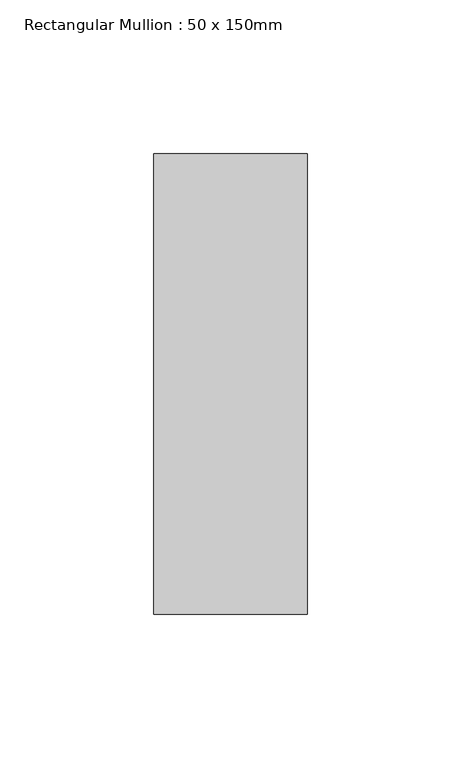
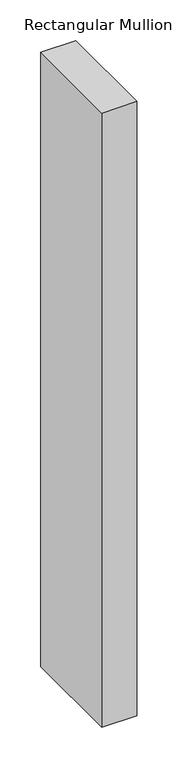
"""IFC4 building model written with IfcOpenShell, lengths in millimetres: member geometry, Rectangular Mullion : 50 x 150mm."""

from ifc_helpers import new_model, si_unit, frame, origin, place, context, project, spatial, polyline, outline, extrude, source, transform, mapped, element, save


def rectangular_mullion_50_x_150mm_68805827(model_context):
    return source(origin(), model_context, "Body", "SweptSolid", [
        extrude(outline(polyline([(0.0, 75.0), (0.0, -75.0), (-50.0, -75.0), (-50.0, 75.0), (0.0, 75.0)])), frame((0.0, 0.0, -921.3391099), z_axis=(0.0, 0.0, 1.0), x_axis=(1.0, 0.0, 0.0)), (0.0, 0.0, 1.0), 921.3391099),
    ])


if __name__ == "__main__":
    model = new_model("IFC4")
    model_context = context("Model", 3, world=origin())
    ifc_project = project(units=[si_unit("LENGTHUNIT", "METRE", prefix="MILLI")], contexts=[model_context])
    site = spatial("IfcSite", under=ifc_project)
    building = spatial("IfcBuilding", under=site)
    placement = place(None, origin())
    rectangular_mullion_50_x_150mm_shape = rectangular_mullion_50_x_150mm_68805827(model_context)
    element("IfcMember", 1, ObjectType="Rectangular Mullion : 50 x 150mm", at=placement, inside=building, context=model_context, shape_type="MappedRepresentation", body=[
        mapped(rectangular_mullion_50_x_150mm_shape, transform((0.0, 0.0, 0.0), x_axis=(1.0, 0.0, 0.0), y_axis=(0.0, 1.0, 0.0), z_axis=(0.0, 0.0, 1.0))),
    ])
    save(model, "model.ifc")
